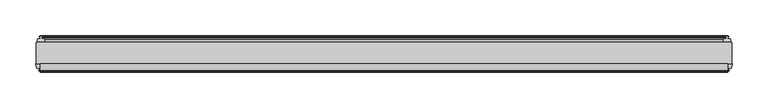
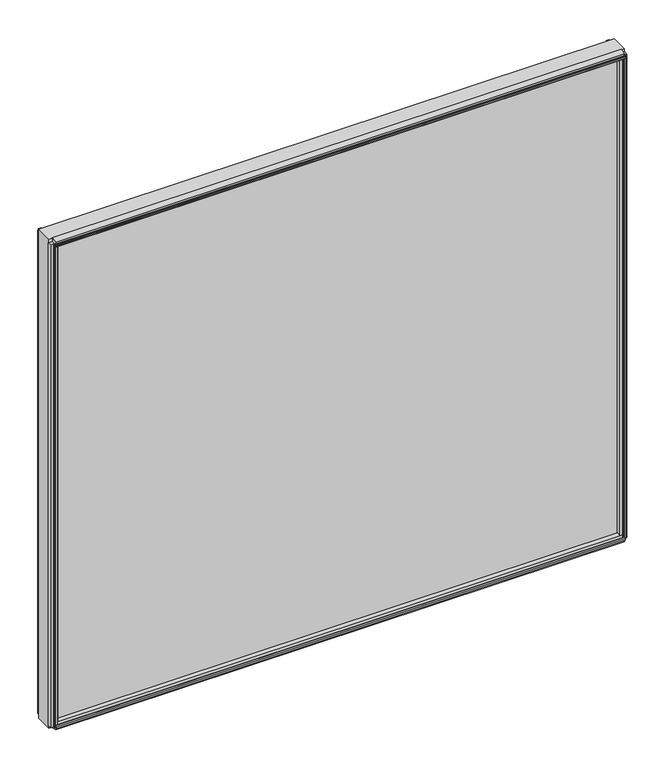
"""IFC4 building model written with IfcOpenShell, lengths in millimetres: plate geometry."""

from ifc_helpers import new_model, si_unit, frame, origin, place, context, project, spatial, polyline, outline, extrude, source, transform, mapped, element, save


def plate_2f95736b(model_context):
    return source(origin(), model_context, "Body", "SweptSolid", [
        extrude(outline(polyline([(487.3, 0.0611188), (487.3, -30.0632812), (-487.3, -30.0632812), (-487.3, 0.0611188), (487.3, 0.0611188)])), frame((0.0, 0.0, 24.1101562), z_axis=(0.0, 0.0, 1.0), x_axis=(1.0, 0.0, 0.0)), (0.0, 0.0, 1.0), 876.166414),
        extrude(outline(polyline([(-30.0632812, 23.5182551), (-39.6736949, 25.3725532), (-38.5626883, 29.5188864), (-41.0629754, 30.6884606), (-41.2186445, 29.1261151), (-42.003749, 29.3364832), (-41.7914929, 31.6988428), (-40.7941323, 33.8508342), (-40.0090278, 33.6404661), (-40.6553872, 32.2096006), (-37.9052879, 31.972338), (-36.7942812, 36.1186712), (-30.0632812, 37.8878432), (-30.0632812, 23.5182551)])), frame((-481.74375, 0.0, 0.0), z_axis=(1.0, 0.0, 0.0), x_axis=(0.0, 1.0, 0.0)), (0.0, 0.0, 1.0), 963.4875),
        extrude(outline(polyline([(-30.0632812, 900.8684714), (-30.0632812, 886.4988833), (-36.7942812, 888.2680553), (-37.9052879, 892.4143885), (-40.6553872, 892.1771259), (-40.0090278, 890.7462604), (-40.7941323, 890.5358923), (-41.7914929, 892.6878837), (-42.003749, 895.0502433), (-41.2186445, 895.2606114), (-41.0629754, 893.6982659), (-38.5626883, 894.8678401), (-39.6736949, 899.0141733), (-30.0632812, 900.8684714)])), frame((-481.74375, 0.0, 0.0), z_axis=(1.0, 0.0, 0.0), x_axis=(0.0, 1.0, 0.0)), (0.0, 0.0, 1.0), 963.4875),
        extrude(outline(polyline([(5.2054238, 891.9847064), (5.3888718, 888.4843102), (8.1282045, 888.1446102), (7.7934632, 889.6785935), (8.6051493, 889.7211322), (9.133291, 887.408804), (8.8497466, 885.0539372), (8.0380606, 885.0113985), (8.2106231, 886.5719684), (5.5218051, 885.9477912), (5.7052531, 882.4473949), (4.4085966, 881.9110091), (0.0611188, 882.0868618), (0.0611188, 891.8273435), (3.8598029, 892.3826163), (5.2054238, 891.9847064)])), frame((-481.74375, 0.0, 0.0), z_axis=(1.0, 0.0, 0.0), x_axis=(0.0, 1.0, 0.0)), (0.0, 0.0, 1.0), 963.4875),
        extrude(outline(polyline([(482.4959429, -39.5092713), (484.0444246, -39.2497314), (484.0473316, -40.0625262), (481.712, -40.4772812), (479.3737614, -40.0792415), (479.3737614, -39.2664467), (480.921153, -39.5149036), (480.4288273, -36.7987999), (476.1502005, -36.7987999), (474.9569, -30.0632812), (488.4671, -30.0632812), (487.2781205, -36.7744101), (482.9714891, -36.7744101), (482.4959429, -39.5092713)])), frame((0.0, 0.0, 29.6664062), z_axis=(0.0, 0.0, 1.0), x_axis=(1.0, 0.0, 0.0)), (0.0, 0.0, 1.0), 865.053914),
        extrude(outline(polyline([(480.1660571, 7.5513088), (478.6175754, 7.2917689), (478.6146684, 8.1045637), (480.95, 8.5193188), (483.2882386, 8.121279), (483.2882386, 7.3084842), (481.740847, 7.5569411), (482.2331727, 4.8408374), (485.7241409, 4.8408374), (486.2529556, 2.5845617), (485.7198338, 0.0611188), (476.1801662, 0.0611188), (475.6470444, 2.5845617), (476.1748, 4.8363188), (479.6939662, 4.8363188), (480.1660571, 7.5513088)])), frame((0.0, 0.0, 29.6664062), z_axis=(0.0, 0.0, 1.0), x_axis=(1.0, 0.0, 0.0)), (0.0, 0.0, 1.0), 865.053914),
        extrude(outline(polyline([(-482.4959429, -39.5092713), (-482.9714891, -36.7744101), (-487.2781205, -36.7744101), (-488.4671, -30.0632812), (-474.9569, -30.0632812), (-476.1502005, -36.7987999), (-480.4288273, -36.7987999), (-480.921153, -39.5149036), (-479.3737614, -39.2664467), (-479.3737614, -40.0792415), (-481.712, -40.4772812), (-484.0473316, -40.0625262), (-484.0444246, -39.2497314), (-482.4959429, -39.5092713)])), frame((0.0, 0.0, 29.6664062), z_axis=(0.0, 0.0, 1.0), x_axis=(1.0, 0.0, 0.0)), (0.0, 0.0, 1.0), 865.053914),
        extrude(outline(polyline([(-480.1660571, 7.5513088), (-479.6939662, 4.8363188), (-476.1748, 4.8363188), (-475.6470444, 2.5845617), (-476.1801662, 0.0611188), (-485.7198338, 0.0611188), (-486.2529556, 2.5845617), (-485.7241409, 4.8408374), (-482.2331727, 4.8408374), (-481.740847, 7.5569411), (-483.2882386, 7.3084842), (-483.2882386, 8.121279), (-480.95, 8.5193188), (-478.6146684, 8.1045637), (-478.6175754, 7.2917689), (-480.1660571, 7.5513088)])), frame((0.0, 0.0, 29.6664062), z_axis=(0.0, 0.0, 1.0), x_axis=(1.0, 0.0, 0.0)), (0.0, 0.0, 1.0), 865.053914),
    ])


if __name__ == "__main__":
    model = new_model("IFC4")
    model_context = context("Model", 3, world=origin())
    ifc_project = project(units=[si_unit("LENGTHUNIT", "METRE", prefix="MILLI")], contexts=[model_context])
    site = spatial("IfcSite", under=ifc_project)
    building = spatial("IfcBuilding", under=site)
    placement = place(None, origin())
    plate_shape = plate_2f95736b(model_context)
    element("IfcPlate", 1, at=placement, inside=building, context=model_context, shape_type="MappedRepresentation", body=[
        mapped(plate_shape, transform((0.0, 0.0, 0.0), x_axis=(1.0, 0.0, 0.0), y_axis=(0.0, 1.0, 0.0), z_axis=(0.0, 0.0, 1.0))),
    ])
    save(model, "model.ifc")
